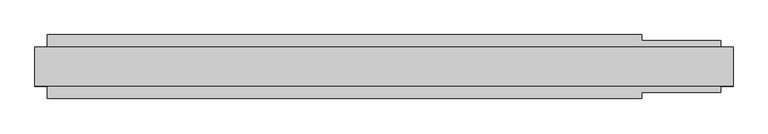
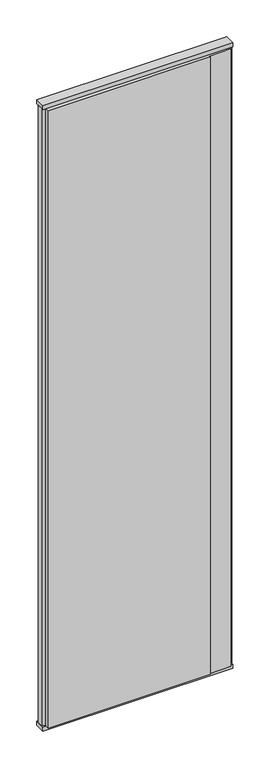
"""IFC4 building model written with IfcOpenShell, lengths in millimetres: plate geometry."""

from ifc_helpers import new_model, si_unit, frame, origin, origin_with_axes, place, context, project, spatial, polyline, outline, extrude, source, transform, mapped, element, save


def plate_3f248dbe(model_context):
    return source(origin(), model_context, "Body", "SweptSolid", [
        extrude(outline(polyline([(424.5833333, 52.5), (424.5833333, 42.5), (554.5833333, 42.5), (554.5833333, 22.9993165), (574.5833333, 17.6401049), (574.5833333, -17.6401049), (554.5833333, -22.9993165), (554.5833333, -42.5), (424.5833333, -42.5), (424.5833333, -52.5), (-554.5833333, -52.5), (-554.5833333, -22.9993165), (-574.5833333, -17.6401049), (-574.5833333, 17.6401049), (-554.5833333, 22.9993165), (-554.5833333, 52.5), (424.5833333, 52.5)])), frame((0.0, 0.0, 25.0), z_axis=(0.0, 0.0, 1.0), x_axis=(1.0, 0.0, 0.0)), (0.0, 0.0, 1.0), 3950.0),
        extrude(outline(polyline([(574.5833333, 32.0), (574.5833333, -32.0), (-574.5833333, -32.0), (-574.5833333, 32.0), (574.5833333, 32.0)])), origin_with_axes(), (0.0, 0.0, 1.0), 25.0),
        extrude(outline(polyline([(574.5833333, 32.0), (574.5833333, -32.0), (-574.5833333, -32.0), (-574.5833333, 32.0), (574.5833333, 32.0)])), frame((0.0, 0.0, 3975.0), z_axis=(0.0, 0.0, 1.0), x_axis=(1.0, 0.0, 0.0)), (0.0, 0.0, 1.0), 25.0),
    ])


if __name__ == "__main__":
    model = new_model("IFC4")
    model_context = context("Model", 3, world=origin())
    ifc_project = project(units=[si_unit("LENGTHUNIT", "METRE", prefix="MILLI")], contexts=[model_context])
    site = spatial("IfcSite", under=ifc_project)
    building = spatial("IfcBuilding", under=site)
    placement = place(None, origin())
    plate_shape = plate_3f248dbe(model_context)
    element("IfcPlate", 1, at=placement, inside=building, context=model_context, shape_type="MappedRepresentation", body=[
        mapped(plate_shape, transform((0.0, 0.0, 0.0), x_axis=(1.0, 0.0, 0.0), y_axis=(0.0, 1.0, 0.0), z_axis=(0.0, 0.0, 1.0))),
    ])
    save(model, "model.ifc")
